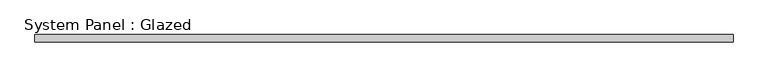
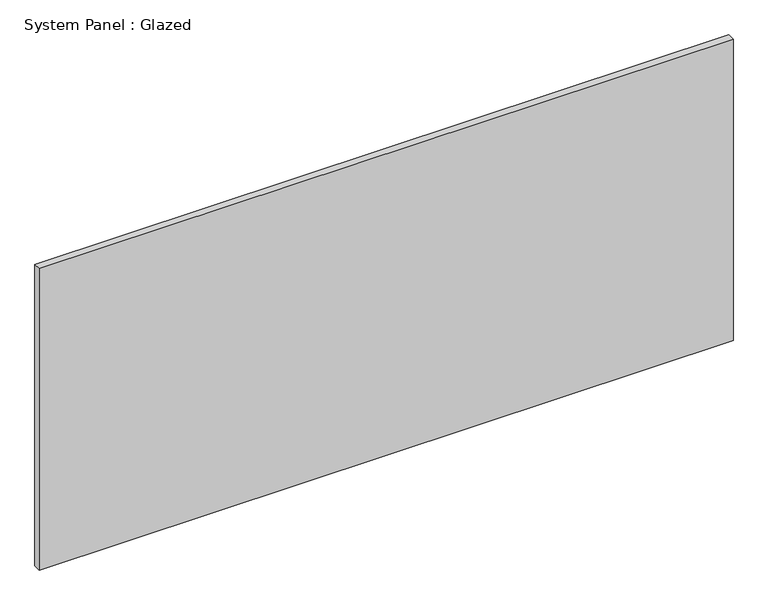
"""IFC4 building model written with IfcOpenShell, lengths in millimetres: plate geometry, System Panel : Glazed."""

from ifc_helpers import new_model, si_unit, origin, origin_with_axes, place, context, project, spatial, polyline, outline, extrude, source, transform, mapped, element, save


def system_panel_glazed_9aa08047(model_context):
    return source(origin(), model_context, "Body", "SweptSolid", [
        extrude(outline(polyline([(1222.7327642, 19.05), (-1222.7327642, 19.05), (-1222.7327642, 44.45), (1222.7327642, 44.45), (1222.7327642, 19.05)])), origin_with_axes(), (0.0, 0.0, 1.0), 1123.95),
    ])


if __name__ == "__main__":
    model = new_model("IFC4")
    model_context = context("Model", 3, world=origin())
    ifc_project = project(units=[si_unit("LENGTHUNIT", "METRE", prefix="MILLI")], contexts=[model_context])
    site = spatial("IfcSite", under=ifc_project)
    building = spatial("IfcBuilding", under=site)
    placement = place(None, origin())
    system_panel_glazed_shape = system_panel_glazed_9aa08047(model_context)
    element("IfcPlate", 1, ObjectType="System Panel : Glazed", at=placement, inside=building, context=model_context, shape_type="MappedRepresentation", body=[
        mapped(system_panel_glazed_shape, transform((0.0, 0.0, 0.0), x_axis=(1.0, 0.0, 0.0), y_axis=(0.0, 1.0, 0.0), z_axis=(0.0, 0.0, 1.0))),
    ])
    save(model, "model.ifc")
